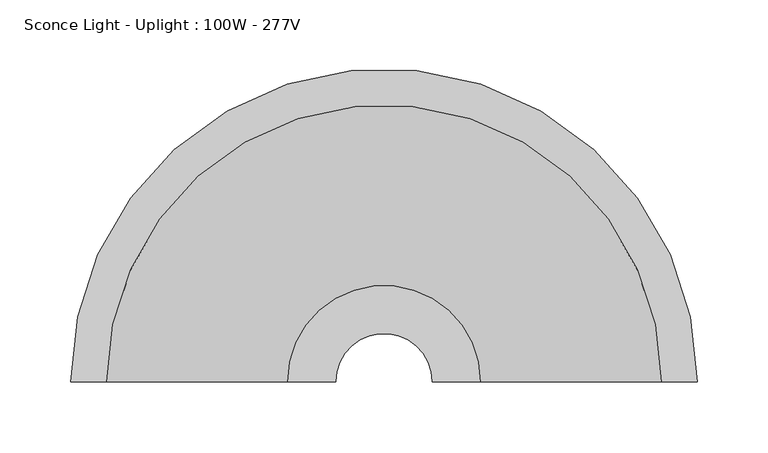
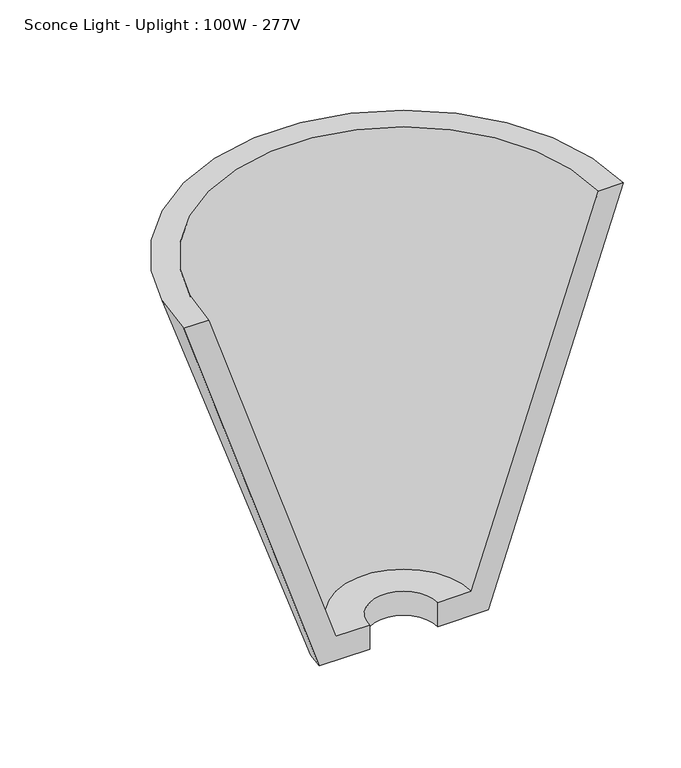
"""IFC4 building model written with IfcOpenShell, lengths in millimetres: light fixture geometry, Sconce Light - Uplight : 100W - 277V."""

from ifc_helpers import new_model, si_unit, frame, origin, place, context, project, spatial, polyline, circle_curve, source, transform, mapped, element, save
from ifc_brep_helpers import plane_surface, revolved_surface, advanced_brep


def sconce_light_uplight_100w_277v_920caa28(model_context):
    return source(origin(), model_context, "Body", "AdvancedBrep", [
        advanced_brep(
        [(-221.2056669, 101.6, 2133.6), (-85.0253975, 101.6, 1727.2), (-34.2253975, 101.6, 1727.2), (-34.2253975, 101.6, 1752.6), (-68.1366644, 101.6, 1752.6), (-195.8056669, 101.6, 2133.6), (221.2056669, 101.6, 2133.6), (195.8056669, 101.6, 2133.6), (68.1366644, 101.6, 1752.6), (34.2253975, 101.6, 1752.6), (34.2253975, 101.6, 1727.2), (85.0253975, 101.6, 1727.2)],
        [
            (0, 1),
            (1, 2),
            (2, 3),
            (3, 4),
            (4, 5),
            (5, 0),
            (6, 7),
            (7, 8),
            (8, 9),
            (9, 10),
            (10, 11),
            (11, 6),
            (11, 1, circle_curve(frame((0.0, 101.6, 1727.2), z_axis=(0.0, 0.0, 1.0), x_axis=(-1.0, 0.0, 0.0)), 85.0253975)),
            (0, 6, circle_curve(frame((0.0, 101.6, 2133.6), z_axis=(0.0, 0.0, -1.0), x_axis=(-1.0, 0.0, 0.0)), 221.2056669)),
            (10, 2, circle_curve(frame((0.0, 101.6, 1727.2), z_axis=(0.0, 0.0, 1.0), x_axis=(-1.0, 0.0, 0.0)), 34.2253975)),
            (9, 3, circle_curve(frame((0.0, 101.6, 1752.6), z_axis=(0.0, 0.0, 1.0), x_axis=(-1.0, 0.0, 0.0)), 34.2253975)),
            (8, 4, circle_curve(frame((0.0, 101.6, 1752.6), z_axis=(0.0, 0.0, 1.0), x_axis=(-1.0, 0.0, 0.0)), 68.1366644)),
            (7, 5, circle_curve(frame((0.0, 101.6, 2133.6), z_axis=(0.0, 0.0, 1.0), x_axis=(-1.0, 0.0, 0.0)), 195.8056669)),
        ],
        [
            plane_surface(frame((0.0, 101.6, 1967.174367), z_axis=(0.0, -1.0, 0.0), x_axis=(-1.0, 0.0, 0.0))),
            plane_surface(frame((0.0, 101.6, 1967.174367), z_axis=(0.0, -1.0, 0.0), x_axis=(1.0, 0.0, 0.0))),
            revolved_surface(polyline([(-221.2056669, 101.6, 2133.6), (-85.0253975, 101.6, 1727.2)]), (0.0, 101.6, 1967.174367), (0.0, 0.0, -1.0)),
            plane_surface(frame((0.0, 101.6, 1727.2), z_axis=(0.0, 0.0, -1.0), x_axis=(-1.0, 0.0, 0.0))),
            revolved_surface(polyline([(-34.2253975, 101.6, 1727.2), (-34.2253975, 101.6, 1752.6)]), (0.0, 101.6, 1967.174367), (0.0, 0.0, -1.0)),
            plane_surface(frame((0.0, 101.6, 1752.6), z_axis=(0.0, 0.0, 1.0), x_axis=(-1.0, 0.0, 0.0))),
            revolved_surface(polyline([(-68.1366644, 101.6, 1752.6), (-195.8056669, 101.6, 2133.6)]), (0.0, 101.6, 1967.174367), (0.0, 0.0, -1.0)),
            plane_surface(frame((0.0, 101.6, 2133.6), z_axis=(0.0, 0.0, 1.0), x_axis=(-1.0, 0.0, 0.0))),
        ],
        [
            (0, [[1, 2, 3, 4, 5, 6]]),
            (1, [[7, 8, 9, 10, 11, 12]]),
            (2, [[13, -1, 14, -12]]),
            (3, [[15, -2, -13, -11]]),
            (4, [[16, -3, -15, -10]]),
            (5, [[17, -4, -16, -9]]),
            (6, [[18, -5, -17, -8]]),
            (7, [[-14, -6, -18, -7]]),
        ],
    ),
    ])


if __name__ == "__main__":
    model = new_model("IFC4")
    model_context = context("Model", 3, world=origin())
    ifc_project = project(units=[si_unit("LENGTHUNIT", "METRE", prefix="MILLI")], contexts=[model_context])
    site = spatial("IfcSite", under=ifc_project)
    building = spatial("IfcBuilding", under=site)
    placement = place(None, origin())
    sconce_light_uplight_100w_277v_shape = sconce_light_uplight_100w_277v_920caa28(model_context)
    element("IfcLightFixture", 1, ObjectType="Sconce Light - Uplight : 100W - 277V", at=placement, inside=building, context=model_context, shape_type="MappedRepresentation", body=[
        mapped(sconce_light_uplight_100w_277v_shape, transform((0.0, 0.0, 0.0), x_axis=(1.0, 0.0, 0.0), y_axis=(0.0, 1.0, 0.0), z_axis=(0.0, 0.0, 1.0))),
    ])
    save(model, "model.ifc")
